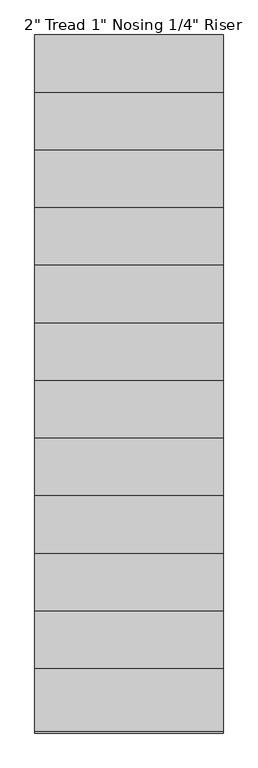
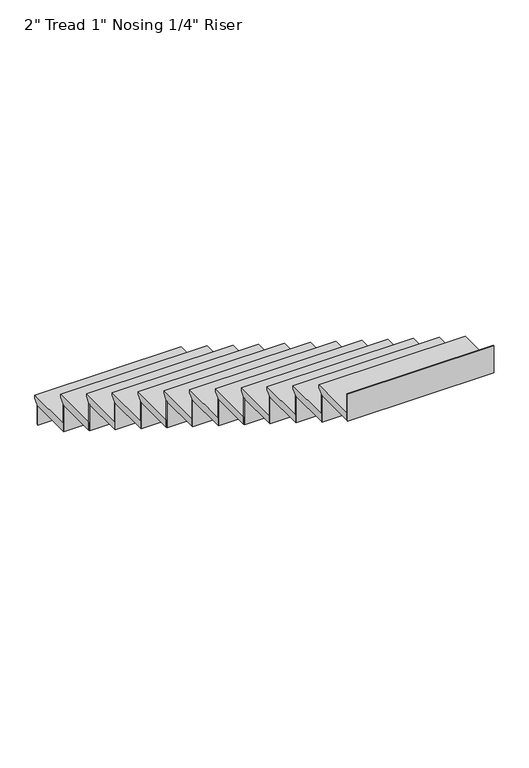
"""IFC4 building model written with IfcOpenShell, lengths in millimetres: stair flight geometry."""

from ifc_helpers import new_model, si_unit, origin, place, context, project, spatial, faceted_brep, source, transform, mapped, element, save


def stair_flight_d1926729(model_context):
    return source(origin(), model_context, "Body", "Brep", [
        faceted_brep([(-12593.6352085, -53062.3253753, 156.7961538), (-12593.6352085, -53062.3253753, 175.8461538), (-11679.2352085, -53062.3253753, 175.8461538), (-11679.2352085, -53062.3253753, 156.7961538), (-12593.6352085, -53087.7253753, 131.3961538), (-11679.2352085, -53087.7253753, 131.3961538), (-12593.6352085, -53367.1253753, 175.8461538), (-11679.2352085, -53367.1253753, 175.8461538), (-11679.2352085, -53087.7253753, 125.0461538), (-11679.2352085, -53367.1253753, 125.0461538), (-12593.6352085, -53367.1253753, 125.0461538), (-12593.6352085, -53087.7253753, 125.0461538)], [[[0, 1, 2, 3]], [[4, 0, 3, 5]], [[2, 1, 6, 7]], [[8, 9, 10, 11]], [[2, 7, 9, 8, 5, 3]], [[8, 11, 4, 5]], [[6, 1, 0, 4, 11, 10]], [[7, 6, 10, 9]]]),
        faceted_brep([(-12593.6352085, -53087.7253753, 125.0461538), (-12593.6352085, -53087.7253753, 0.0), (-12593.6352085, -53094.0753753, 0.0), (-12593.6352085, -53094.0753753, 125.0461538), (-11679.2352085, -53087.7253753, 125.0461538), (-11679.2352085, -53094.0753753, 125.0461538), (-11679.2352085, -53094.0753753, 0.0), (-11679.2352085, -53087.7253753, 0.0)], [[[0, 1, 2, 3]], [[4, 5, 6, 7]], [[1, 0, 4, 7]], [[2, 1, 7, 6]], [[3, 2, 6, 5]], [[0, 3, 5, 4]]]),
        faceted_brep([(-12593.6352085, -53367.1253753, 300.8923077), (-12593.6352085, -53367.1253753, 125.0461538), (-12593.6352085, -53373.4753753, 125.0461538), (-12593.6352085, -53373.4753753, 300.8923077), (-11679.2352085, -53367.1253753, 300.8923077), (-11679.2352085, -53373.4753753, 300.8923077), (-11679.2352085, -53373.4753753, 125.0461538), (-11679.2352085, -53367.1253753, 125.0461538)], [[[0, 1, 2, 3]], [[4, 5, 6, 7]], [[1, 0, 4, 7]], [[2, 1, 7, 6]], [[3, 2, 6, 5]], [[0, 3, 5, 4]]]),
        faceted_brep([(-11679.2352085, -53341.7253753, 351.6923077), (-12593.6352085, -53341.7253753, 351.6923077), (-12593.6352085, -53646.5253753, 351.6923077), (-11679.2352085, -53646.5253753, 351.6923077), (-11679.2352085, -53367.1253753, 300.8923077), (-11679.2352085, -53646.5253753, 300.8923077), (-12593.6352085, -53646.5253753, 300.8923077), (-12593.6352085, -53367.1253753, 300.8923077), (-11679.2352085, -53367.1253753, 307.2423077), (-11679.2352085, -53341.7253753, 332.6423077), (-12593.6352085, -53367.1253753, 307.2423077), (-12593.6352085, -53341.7253753, 332.6423077)], [[[0, 1, 2, 3]], [[4, 5, 6, 7]], [[0, 3, 5, 4, 8, 9]], [[4, 7, 10, 8]], [[2, 1, 11, 10, 7, 6]], [[3, 2, 6, 5]], [[11, 1, 0, 9]], [[10, 11, 9, 8]]]),
        faceted_brep([(-12593.6352085, -53646.5253753, 476.7384615), (-12593.6352085, -53646.5253753, 300.8923077), (-12593.6352085, -53652.8753753, 300.8923077), (-12593.6352085, -53652.8753753, 476.7384615), (-11679.2352085, -53646.5253753, 476.7384615), (-11679.2352085, -53652.8753753, 476.7384615), (-11679.2352085, -53652.8753753, 300.8923077), (-11679.2352085, -53646.5253753, 300.8923077)], [[[0, 1, 2, 3]], [[4, 5, 6, 7]], [[1, 0, 4, 7]], [[2, 1, 7, 6]], [[3, 2, 6, 5]], [[0, 3, 5, 4]]]),
        faceted_brep([(-11679.2352085, -53621.1253753, 527.5384615), (-12593.6352085, -53621.1253753, 527.5384615), (-12593.6352085, -53925.9253753, 527.5384615), (-11679.2352085, -53925.9253753, 527.5384615), (-11679.2352085, -53646.5253753, 476.7384615), (-11679.2352085, -53925.9253753, 476.7384615), (-12593.6352085, -53925.9253753, 476.7384615), (-12593.6352085, -53646.5253753, 476.7384615), (-11679.2352085, -53646.5253753, 483.0884615), (-11679.2352085, -53621.1253753, 508.4884615), (-12593.6352085, -53646.5253753, 483.0884615), (-12593.6352085, -53621.1253753, 508.4884615)], [[[0, 1, 2, 3]], [[4, 5, 6, 7]], [[0, 3, 5, 4, 8, 9]], [[4, 7, 10, 8]], [[2, 1, 11, 10, 7, 6]], [[3, 2, 6, 5]], [[11, 1, 0, 9]], [[10, 11, 9, 8]]]),
        faceted_brep([(-12593.6352085, -53925.9253753, 652.5846154), (-12593.6352085, -53925.9253753, 476.7384615), (-12593.6352085, -53932.2753753, 476.7384615), (-12593.6352085, -53932.2753753, 652.5846154), (-11679.2352085, -53925.9253753, 652.5846154), (-11679.2352085, -53932.2753753, 652.5846154), (-11679.2352085, -53932.2753753, 476.7384615), (-11679.2352085, -53925.9253753, 476.7384615)], [[[0, 1, 2, 3]], [[4, 5, 6, 7]], [[1, 0, 4, 7]], [[2, 1, 7, 6]], [[3, 2, 6, 5]], [[0, 3, 5, 4]]]),
        faceted_brep([(-11679.2352085, -53900.5253753, 703.3846154), (-12593.6352085, -53900.5253753, 703.3846154), (-12593.6352085, -54205.3253753, 703.3846154), (-11679.2352085, -54205.3253753, 703.3846154), (-11679.2352085, -53925.9253753, 652.5846154), (-11679.2352085, -54205.3253753, 652.5846154), (-12593.6352085, -54205.3253753, 652.5846154), (-12593.6352085, -53925.9253753, 652.5846154), (-11679.2352085, -53925.9253753, 658.9346154), (-11679.2352085, -53900.5253753, 684.3346154), (-12593.6352085, -53925.9253753, 658.9346154), (-12593.6352085, -53900.5253753, 684.3346154)], [[[0, 1, 2, 3]], [[4, 5, 6, 7]], [[0, 3, 5, 4, 8, 9]], [[4, 7, 10, 8]], [[2, 1, 11, 10, 7, 6]], [[3, 2, 6, 5]], [[11, 1, 0, 9]], [[10, 11, 9, 8]]]),
        faceted_brep([(-12593.6352085, -54205.3253753, 828.4307692), (-12593.6352085, -54205.3253753, 652.5846154), (-12593.6352085, -54211.6753753, 652.5846154), (-12593.6352085, -54211.6753753, 828.4307692), (-11679.2352085, -54205.3253753, 828.4307692), (-11679.2352085, -54211.6753753, 828.4307692), (-11679.2352085, -54211.6753753, 652.5846154), (-11679.2352085, -54205.3253753, 652.5846154)], [[[0, 1, 2, 3]], [[4, 5, 6, 7]], [[1, 0, 4, 7]], [[2, 1, 7, 6]], [[3, 2, 6, 5]], [[0, 3, 5, 4]]]),
        faceted_brep([(-11679.2352085, -54179.9253753, 879.2307692), (-12593.6352085, -54179.9253753, 879.2307692), (-12593.6352085, -54484.7253753, 879.2307692), (-11679.2352085, -54484.7253753, 879.2307692), (-11679.2352085, -54205.3253753, 828.4307692), (-11679.2352085, -54484.7253753, 828.4307692), (-12593.6352085, -54484.7253753, 828.4307692), (-12593.6352085, -54205.3253753, 828.4307692), (-11679.2352085, -54205.3253753, 834.7807692), (-11679.2352085, -54179.9253753, 860.1807692), (-12593.6352085, -54205.3253753, 834.7807692), (-12593.6352085, -54179.9253753, 860.1807692)], [[[0, 1, 2, 3]], [[4, 5, 6, 7]], [[0, 3, 5, 4, 8, 9]], [[4, 7, 10, 8]], [[2, 1, 11, 10, 7, 6]], [[3, 2, 6, 5]], [[11, 1, 0, 9]], [[10, 11, 9, 8]]]),
        faceted_brep([(-12593.6352085, -54484.7253753, 1004.2769231), (-12593.6352085, -54484.7253753, 828.4307692), (-12593.6352085, -54491.0753753, 828.4307692), (-12593.6352085, -54491.0753753, 1004.2769231), (-11679.2352085, -54484.7253753, 1004.2769231), (-11679.2352085, -54491.0753753, 1004.2769231), (-11679.2352085, -54491.0753753, 828.4307692), (-11679.2352085, -54484.7253753, 828.4307692)], [[[0, 1, 2, 3]], [[4, 5, 6, 7]], [[1, 0, 4, 7]], [[2, 1, 7, 6]], [[3, 2, 6, 5]], [[0, 3, 5, 4]]]),
        faceted_brep([(-11679.2352085, -54459.3253753, 1055.0769231), (-12593.6352085, -54459.3253753, 1055.0769231), (-12593.6352085, -54764.1253753, 1055.0769231), (-11679.2352085, -54764.1253753, 1055.0769231), (-11679.2352085, -54484.7253753, 1004.2769231), (-11679.2352085, -54764.1253753, 1004.2769231), (-12593.6352085, -54764.1253753, 1004.2769231), (-12593.6352085, -54484.7253753, 1004.2769231), (-11679.2352085, -54484.7253753, 1010.6269231), (-11679.2352085, -54459.3253753, 1036.0269231), (-12593.6352085, -54484.7253753, 1010.6269231), (-12593.6352085, -54459.3253753, 1036.0269231)], [[[0, 1, 2, 3]], [[4, 5, 6, 7]], [[0, 3, 5, 4, 8, 9]], [[4, 7, 10, 8]], [[2, 1, 11, 10, 7, 6]], [[3, 2, 6, 5]], [[11, 1, 0, 9]], [[10, 11, 9, 8]]]),
        faceted_brep([(-12593.6352085, -54764.1253753, 1180.1230769), (-12593.6352085, -54764.1253753, 1004.2769231), (-12593.6352085, -54770.4753753, 1004.2769231), (-12593.6352085, -54770.4753753, 1180.1230769), (-11679.2352085, -54764.1253753, 1180.1230769), (-11679.2352085, -54770.4753753, 1180.1230769), (-11679.2352085, -54770.4753753, 1004.2769231), (-11679.2352085, -54764.1253753, 1004.2769231)], [[[0, 1, 2, 3]], [[4, 5, 6, 7]], [[1, 0, 4, 7]], [[2, 1, 7, 6]], [[3, 2, 6, 5]], [[0, 3, 5, 4]]]),
        faceted_brep([(-11679.2352085, -54738.7253753, 1230.9230769), (-12593.6352085, -54738.7253753, 1230.9230769), (-12593.6352085, -55043.5253753, 1230.9230769), (-11679.2352085, -55043.5253753, 1230.9230769), (-11679.2352085, -54764.1253753, 1180.1230769), (-11679.2352085, -55043.5253753, 1180.1230769), (-12593.6352085, -55043.5253753, 1180.1230769), (-12593.6352085, -54764.1253753, 1180.1230769), (-11679.2352085, -54764.1253753, 1186.4730769), (-11679.2352085, -54738.7253753, 1211.8730769), (-12593.6352085, -54764.1253753, 1186.4730769), (-12593.6352085, -54738.7253753, 1211.8730769)], [[[0, 1, 2, 3]], [[4, 5, 6, 7]], [[0, 3, 5, 4, 8, 9]], [[4, 7, 10, 8]], [[2, 1, 11, 10, 7, 6]], [[3, 2, 6, 5]], [[11, 1, 0, 9]], [[10, 11, 9, 8]]]),
        faceted_brep([(-12593.6352085, -55043.5253753, 1355.9692308), (-12593.6352085, -55043.5253753, 1180.1230769), (-12593.6352085, -55049.8753753, 1180.1230769), (-12593.6352085, -55049.8753753, 1355.9692308), (-11679.2352085, -55043.5253753, 1355.9692308), (-11679.2352085, -55049.8753753, 1355.9692308), (-11679.2352085, -55049.8753753, 1180.1230769), (-11679.2352085, -55043.5253753, 1180.1230769)], [[[0, 1, 2, 3]], [[4, 5, 6, 7]], [[1, 0, 4, 7]], [[2, 1, 7, 6]], [[3, 2, 6, 5]], [[0, 3, 5, 4]]]),
        faceted_brep([(-11679.2352085, -55018.1253753, 1406.7692308), (-12593.6352085, -55018.1253753, 1406.7692308), (-12593.6352085, -55322.9253753, 1406.7692308), (-11679.2352085, -55322.9253753, 1406.7692308), (-11679.2352085, -55043.5253753, 1355.9692308), (-11679.2352085, -55322.9253753, 1355.9692308), (-12593.6352085, -55322.9253753, 1355.9692308), (-12593.6352085, -55043.5253753, 1355.9692308), (-11679.2352085, -55043.5253753, 1362.3192308), (-11679.2352085, -55018.1253753, 1387.7192308), (-12593.6352085, -55043.5253753, 1362.3192308), (-12593.6352085, -55018.1253753, 1387.7192308)], [[[0, 1, 2, 3]], [[4, 5, 6, 7]], [[0, 3, 5, 4, 8, 9]], [[4, 7, 10, 8]], [[2, 1, 11, 10, 7, 6]], [[3, 2, 6, 5]], [[11, 1, 0, 9]], [[10, 11, 9, 8]]]),
        faceted_brep([(-12593.6352085, -55322.9253753, 1531.8153846), (-12593.6352085, -55322.9253753, 1355.9692308), (-12593.6352085, -55329.2753753, 1355.9692308), (-12593.6352085, -55329.2753753, 1531.8153846), (-11679.2352085, -55322.9253753, 1531.8153846), (-11679.2352085, -55329.2753753, 1531.8153846), (-11679.2352085, -55329.2753753, 1355.9692308), (-11679.2352085, -55322.9253753, 1355.9692308)], [[[0, 1, 2, 3]], [[4, 5, 6, 7]], [[1, 0, 4, 7]], [[2, 1, 7, 6]], [[3, 2, 6, 5]], [[0, 3, 5, 4]]]),
        faceted_brep([(-11679.2352085, -55297.5253753, 1582.6153846), (-12593.6352085, -55297.5253753, 1582.6153846), (-12593.6352085, -55602.3253753, 1582.6153846), (-11679.2352085, -55602.3253753, 1582.6153846), (-11679.2352085, -55322.9253753, 1531.8153846), (-11679.2352085, -55602.3253753, 1531.8153846), (-12593.6352085, -55602.3253753, 1531.8153846), (-12593.6352085, -55322.9253753, 1531.8153846), (-11679.2352085, -55322.9253753, 1538.1653846), (-11679.2352085, -55297.5253753, 1563.5653846), (-12593.6352085, -55322.9253753, 1538.1653846), (-12593.6352085, -55297.5253753, 1563.5653846)], [[[0, 1, 2, 3]], [[4, 5, 6, 7]], [[0, 3, 5, 4, 8, 9]], [[4, 7, 10, 8]], [[2, 1, 11, 10, 7, 6]], [[3, 2, 6, 5]], [[11, 1, 0, 9]], [[10, 11, 9, 8]]]),
        faceted_brep([(-12593.6352085, -55602.3253753, 1707.6615385), (-12593.6352085, -55602.3253753, 1531.8153846), (-12593.6352085, -55608.6753753, 1531.8153846), (-12593.6352085, -55608.6753753, 1707.6615385), (-11679.2352085, -55602.3253753, 1707.6615385), (-11679.2352085, -55608.6753753, 1707.6615385), (-11679.2352085, -55608.6753753, 1531.8153846), (-11679.2352085, -55602.3253753, 1531.8153846)], [[[0, 1, 2, 3]], [[4, 5, 6, 7]], [[1, 0, 4, 7]], [[2, 1, 7, 6]], [[3, 2, 6, 5]], [[0, 3, 5, 4]]]),
        faceted_brep([(-11679.2352085, -55576.9253753, 1758.4615385), (-12593.6352085, -55576.9253753, 1758.4615385), (-12593.6352085, -55881.7253753, 1758.4615385), (-11679.2352085, -55881.7253753, 1758.4615385), (-11679.2352085, -55602.3253753, 1707.6615385), (-11679.2352085, -55881.7253753, 1707.6615385), (-12593.6352085, -55881.7253753, 1707.6615385), (-12593.6352085, -55602.3253753, 1707.6615385), (-11679.2352085, -55602.3253753, 1714.0115385), (-11679.2352085, -55576.9253753, 1739.4115385), (-12593.6352085, -55602.3253753, 1714.0115385), (-12593.6352085, -55576.9253753, 1739.4115385)], [[[0, 1, 2, 3]], [[4, 5, 6, 7]], [[0, 3, 5, 4, 8, 9]], [[4, 7, 10, 8]], [[2, 1, 11, 10, 7, 6]], [[3, 2, 6, 5]], [[11, 1, 0, 9]], [[10, 11, 9, 8]]]),
        faceted_brep([(-12593.6352085, -55881.7253753, 1883.5076923), (-12593.6352085, -55881.7253753, 1707.6615385), (-12593.6352085, -55888.0753753, 1707.6615385), (-12593.6352085, -55888.0753753, 1883.5076923), (-11679.2352085, -55881.7253753, 1883.5076923), (-11679.2352085, -55888.0753753, 1883.5076923), (-11679.2352085, -55888.0753753, 1707.6615385), (-11679.2352085, -55881.7253753, 1707.6615385)], [[[0, 1, 2, 3]], [[4, 5, 6, 7]], [[1, 0, 4, 7]], [[2, 1, 7, 6]], [[3, 2, 6, 5]], [[0, 3, 5, 4]]]),
        faceted_brep([(-11679.2352085, -55856.3253753, 1934.3076923), (-12593.6352085, -55856.3253753, 1934.3076923), (-12593.6352085, -56161.1253753, 1934.3076923), (-11679.2352085, -56161.1253753, 1934.3076923), (-11679.2352085, -55881.7253753, 1883.5076923), (-11679.2352085, -56161.1253753, 1883.5076923), (-12593.6352085, -56161.1253753, 1883.5076923), (-12593.6352085, -55881.7253753, 1883.5076923), (-11679.2352085, -55881.7253753, 1889.8576923), (-11679.2352085, -55856.3253753, 1915.2576923), (-12593.6352085, -55881.7253753, 1889.8576923), (-12593.6352085, -55856.3253753, 1915.2576923)], [[[0, 1, 2, 3]], [[4, 5, 6, 7]], [[0, 3, 5, 4, 8, 9]], [[4, 7, 10, 8]], [[2, 1, 11, 10, 7, 6]], [[3, 2, 6, 5]], [[11, 1, 0, 9]], [[10, 11, 9, 8]]]),
        faceted_brep([(-12593.6352085, -56440.5253753, 2235.2), (-12593.6352085, -56440.5253753, 2059.3538462), (-12593.6352085, -56446.8753753, 2059.3538462), (-12593.6352085, -56446.8753753, 2235.2), (-11679.2352085, -56440.5253753, 2235.2), (-11679.2352085, -56446.8753753, 2235.2), (-11679.2352085, -56446.8753753, 2059.3538462), (-11679.2352085, -56440.5253753, 2059.3538462)], [[[0, 1, 2, 3]], [[4, 5, 6, 7]], [[1, 0, 4, 7]], [[2, 1, 7, 6]], [[3, 2, 6, 5]], [[0, 3, 5, 4]]]),
        faceted_brep([(-12593.6352085, -56161.1253753, 2059.3538462), (-12593.6352085, -56161.1253753, 1883.5076923), (-12593.6352085, -56167.4753753, 1883.5076923), (-12593.6352085, -56167.4753753, 2059.3538462), (-11679.2352085, -56161.1253753, 2059.3538462), (-11679.2352085, -56167.4753753, 2059.3538462), (-11679.2352085, -56167.4753753, 1883.5076923), (-11679.2352085, -56161.1253753, 1883.5076923)], [[[0, 1, 2, 3]], [[4, 5, 6, 7]], [[1, 0, 4, 7]], [[2, 1, 7, 6]], [[3, 2, 6, 5]], [[0, 3, 5, 4]]]),
        faceted_brep([(-11679.2352085, -56440.5253753, 2110.1538462), (-11679.2352085, -56415.1253753, 2110.1538462), (-11679.2352085, -56135.7253753, 2110.1538462), (-12593.6352085, -56135.7253753, 2110.1538462), (-12593.6352085, -56440.5253753, 2110.1538462), (-11679.2352085, -56415.1253753, 2059.3538462), (-11679.2352085, -56440.5253753, 2059.3538462), (-12593.6352085, -56440.5253753, 2059.3538462), (-12593.6352085, -56161.1253753, 2059.3538462), (-11679.2352085, -56161.1253753, 2059.3538462), (-11679.2352085, -56161.1253753, 2065.7038462), (-11679.2352085, -56135.7253753, 2091.1038462), (-12593.6352085, -56161.1253753, 2065.7038462), (-12593.6352085, -56135.7253753, 2091.1038462)], [[[0, 1, 2, 3, 4]], [[5, 6, 7, 8, 9]], [[1, 0, 6, 5]], [[2, 1, 5, 9, 10, 11]], [[9, 8, 12, 10]], [[4, 3, 13, 12, 8, 7]], [[0, 4, 7, 6]], [[13, 3, 2, 11]], [[12, 13, 11, 10]]]),
    ])


if __name__ == "__main__":
    model = new_model("IFC4")
    model_context = context("Model", 3, world=origin())
    ifc_project = project(units=[si_unit("LENGTHUNIT", "METRE", prefix="MILLI")], contexts=[model_context])
    site = spatial("IfcSite", under=ifc_project)
    building = spatial("IfcBuilding", under=site)
    placement = place(None, origin())
    stair_flight_shape = stair_flight_d1926729(model_context)
    element("IfcStairFlight", 1, ObjectType="2\" Tread 1\" Nosing 1/4\" Riser", at=placement, inside=building, context=model_context, shape_type="MappedRepresentation", body=[
        mapped(stair_flight_shape, transform((0.0, 0.0, 0.0), x_axis=(1.0, 0.0, 0.0), y_axis=(0.0, 1.0, 0.0), z_axis=(0.0, 0.0, 1.0))),
    ])
    save(model, "model.ifc")
